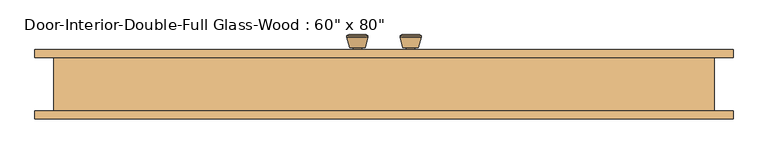
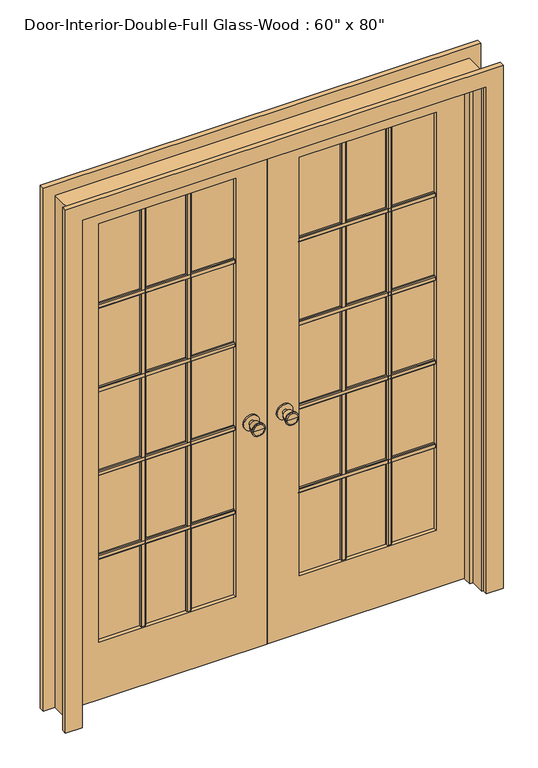
"""IFC4 building model written with IfcOpenShell, lengths in millimetres: door geometry."""

from ifc_helpers import new_model, si_unit, point, frame, frame_2d, origin, place, context, project, spatial, polyline, circle_curve, trimmed, segment, composite_curve, outline, extrude, faceted_brep, source, transform, mapped, element, save
from ifc_brep_helpers import plane_surface, cylinder_surface, revolved_surface, advanced_brep


def door_7a69edbd(model_context):
    return source(origin(), model_context, "Body", "SolidModel", [
        advanced_brep(
        [(-63.5, 66.325, 914.4), (-73.5, 66.325, 914.4), (-53.5, 66.325, 914.4), (-83.9758676, 115.325, 914.4), (-63.5, 115.325, 914.4), (-43.0241324, 115.325, 914.4), (-88.5, 113.4971319, 914.4), (-38.5, 113.4971319, 914.4), (-88.5, 110.0334537, 914.4), (-38.5, 110.0334537, 914.4), (-82.136236, 85.325, 914.4), (-44.863764, 85.325, 914.4), (-73.5, 85.325, 914.4), (-53.5, 85.325, 914.4)],
        [
            (0, 1),
            (1, 2, circle_curve(frame((-63.5, 66.325, 914.4), z_axis=(0.0, -1.0, 0.0), x_axis=(1.0, 0.0, 0.0)), 10.0)),
            (2, 0),
            (2, 1, circle_curve(frame((-63.5, 66.325, 914.4), z_axis=(0.0, -1.0, 0.0), x_axis=(1.0, 0.0, 0.0)), 10.0)),
            (3, 4),
            (4, 5),
            (5, 3, circle_curve(frame((-63.5, 115.325, 914.4), z_axis=(0.0, 1.0, 0.0), x_axis=(1.0, 0.0, 0.0)), 20.4758676)),
            (3, 5, circle_curve(frame((-63.5, 115.325, 914.4), z_axis=(0.0, 1.0, 0.0), x_axis=(1.0, 0.0, 0.0)), 20.4758676)),
            (6, 3),
            (5, 7),
            (7, 6, circle_curve(frame((-63.5, 113.4971319, 914.4), z_axis=(0.0, 1.0, 0.0), x_axis=(1.0, 0.0, 0.0)), 25.0)),
            (6, 7, circle_curve(frame((-63.5, 113.4971319, 914.4), z_axis=(0.0, 1.0, 0.0), x_axis=(1.0, 0.0, 0.0)), 25.0)),
            (8, 6),
            (7, 9),
            (9, 8, circle_curve(frame((-63.5, 110.0334537, 914.4), z_axis=(0.0, 1.0, 0.0), x_axis=(1.0, 0.0, 0.0)), 25.0)),
            (8, 9, circle_curve(frame((-63.5, 110.0334537, 914.4), z_axis=(0.0, 1.0, 0.0), x_axis=(1.0, 0.0, 0.0)), 25.0)),
            (10, 8),
            (9, 11),
            (11, 10, circle_curve(frame((-63.5, 85.325, 914.4), z_axis=(0.0, 1.0, 0.0), x_axis=(1.0, 0.0, 0.0)), 18.636236)),
            (10, 11, circle_curve(frame((-63.5, 85.325, 914.4), z_axis=(0.0, 1.0, 0.0), x_axis=(1.0, 0.0, 0.0)), 18.636236)),
            (12, 10),
            (11, 13),
            (13, 12, circle_curve(frame((-63.5, 85.325, 914.4), z_axis=(0.0, 1.0, 0.0), x_axis=(1.0, 0.0, 0.0)), 10.0)),
            (12, 13, circle_curve(frame((-63.5, 85.325, 914.4), z_axis=(0.0, 1.0, 0.0), x_axis=(1.0, 0.0, 0.0)), 10.0)),
            (1, 12),
            (13, 2),
        ],
        [
            plane_surface(frame((-63.5, 66.325, 914.4), z_axis=(0.0, -1.0, 0.0), x_axis=(1.0, 0.0, 0.0))),
            plane_surface(frame((-63.5, 115.325, 914.4), z_axis=(0.0, 1.0, 0.0), x_axis=(1.0, 0.0, 0.0))),
            revolved_surface(polyline([(-43.0241324, 115.325, 914.4), (-38.5, 113.4971319, 914.4)]), (-63.5, 66.325, 914.4), (0.0, -1.0, 0.0)),
            cylinder_surface(frame((-63.5, 66.325, 914.4), z_axis=(0.0, -1.0, 0.0), x_axis=(1.0, 0.0, 0.0)), 25.0),
            revolved_surface(polyline([(-38.5, 110.0334537, 914.4), (-44.863764, 85.325, 914.4)]), (-63.5, 66.325, 914.4), (0.0, -1.0, 0.0)),
            plane_surface(frame((-63.5, 85.325, 914.4), z_axis=(0.0, -1.0, 0.0), x_axis=(1.0, 0.0, 0.0))),
            cylinder_surface(frame((-63.5, 66.325, 914.4), z_axis=(0.0, -1.0, 0.0), x_axis=(1.0, 0.0, 0.0)), 10.0),
        ],
        [
            (0, [[1, 2, 3]]),
            (0, [[-3, 4, -1]]),
            (1, [[5, 6, 7]]),
            (1, [[-6, -5, 8]]),
            (2, [[9, -7, 10, 11]]),
            (2, [[-10, -8, -9, 12]]),
            (3, [[13, -11, 14, 15]]),
            (3, [[-14, -12, -13, 16]]),
            (4, [[17, -15, 18, 19]]),
            (4, [[-18, -16, -17, 20]]),
            (5, [[21, -19, 22, 23]]),
            (5, [[-22, -20, -21, 24]]),
            (6, [[25, -23, 26, -2]]),
            (6, [[-26, -24, -25, -4]]),
        ],
    ),
        extrude(outline(composite_curve([segment(trimmed(circle_curve(frame_2d((914.4, -63.5)), 30.0), [point((914.4, -33.5))], [point((914.4, -93.5))], False, "CARTESIAN"), True, "CONTINUOUS"), segment(trimmed(circle_curve(frame_2d((914.4, -63.5)), 30.0), [point((914.4, -93.5))], [point((914.4, -33.5))], False, "CARTESIAN"), True, "CONTINUOUS")], self_intersect=False)), frame((0.0, 60.325, 0.0), z_axis=(0.0, 1.0, 0.0), x_axis=(0.0, 0.0, 1.0)), (0.0, 0.0, 1.0), 6.0),
        advanced_brep(
        [(-63.5, 19.4, 914.4), (-53.5, 19.4, 914.4), (-73.5, 19.4, 914.4), (-83.9758676, -29.6, 914.4), (-43.0241324, -29.6, 914.4), (-63.5, -29.6, 914.4), (-88.5, -27.7721319, 914.4), (-38.5, -27.7721319, 914.4), (-88.5, -24.3084537, 914.4), (-38.5, -24.3084537, 914.4), (-82.136236, 0.4, 914.4), (-44.863764, 0.4, 914.4), (-73.5, 0.4, 914.4), (-53.5, 0.4, 914.4)],
        [
            (0, 1),
            (1, 2, circle_curve(frame((-63.5, 19.4, 914.4), z_axis=(0.0, 1.0, 0.0), x_axis=(1.0, 0.0, 0.0)), 10.0)),
            (2, 0),
            (2, 1, circle_curve(frame((-63.5, 19.4, 914.4), z_axis=(0.0, 1.0, 0.0), x_axis=(1.0, 0.0, 0.0)), 10.0)),
            (3, 4, circle_curve(frame((-63.5, -29.6, 914.4), z_axis=(0.0, -1.0, 0.0), x_axis=(1.0, 0.0, 0.0)), 20.4758676)),
            (4, 5),
            (5, 3),
            (4, 3, circle_curve(frame((-63.5, -29.6, 914.4), z_axis=(0.0, -1.0, 0.0), x_axis=(1.0, 0.0, 0.0)), 20.4758676)),
            (6, 7, circle_curve(frame((-63.5, -27.7721319, 914.4), z_axis=(0.0, -1.0, 0.0), x_axis=(1.0, 0.0, 0.0)), 25.0)),
            (7, 4),
            (3, 6),
            (7, 6, circle_curve(frame((-63.5, -27.7721319, 914.4), z_axis=(0.0, -1.0, 0.0), x_axis=(1.0, 0.0, 0.0)), 25.0)),
            (8, 9, circle_curve(frame((-63.5, -24.3084537, 914.4), z_axis=(0.0, -1.0, 0.0), x_axis=(1.0, 0.0, 0.0)), 25.0)),
            (9, 7),
            (6, 8),
            (9, 8, circle_curve(frame((-63.5, -24.3084537, 914.4), z_axis=(0.0, -1.0, 0.0), x_axis=(1.0, 0.0, 0.0)), 25.0)),
            (10, 11, circle_curve(frame((-63.5, 0.4, 914.4), z_axis=(0.0, -1.0, 0.0), x_axis=(1.0, 0.0, 0.0)), 18.636236)),
            (11, 9),
            (8, 10),
            (11, 10, circle_curve(frame((-63.5, 0.4, 914.4), z_axis=(0.0, -1.0, 0.0), x_axis=(1.0, 0.0, 0.0)), 18.636236)),
            (12, 13, circle_curve(frame((-63.5, 0.4, 914.4), z_axis=(0.0, -1.0, 0.0), x_axis=(1.0, 0.0, 0.0)), 10.0)),
            (13, 11),
            (10, 12),
            (13, 12, circle_curve(frame((-63.5, 0.4, 914.4), z_axis=(0.0, -1.0, 0.0), x_axis=(1.0, 0.0, 0.0)), 10.0)),
            (1, 13),
            (12, 2),
        ],
        [
            plane_surface(frame((-63.5, 19.4, 914.4), z_axis=(0.0, 1.0, 0.0), x_axis=(1.0, 0.0, 0.0))),
            plane_surface(frame((-63.5, -29.6, 914.4), z_axis=(0.0, -1.0, 0.0), x_axis=(1.0, 0.0, 0.0))),
            revolved_surface(polyline([(-43.0241324, -29.6, 914.4), (-38.5, -27.7721319, 914.4)]), (-63.5, 19.4, 914.4), (0.0, 1.0, 0.0)),
            cylinder_surface(frame((-63.5, 19.4, 914.4), z_axis=(0.0, 1.0, 0.0), x_axis=(1.0, 0.0, 0.0)), 25.0),
            revolved_surface(polyline([(-38.5, -24.3084537, 914.4), (-44.863764, 0.4, 914.4)]), (-63.5, 19.4, 914.4), (0.0, 1.0, 0.0)),
            plane_surface(frame((-63.5, 0.4, 914.4), z_axis=(0.0, 1.0, 0.0), x_axis=(1.0, 0.0, 0.0))),
            cylinder_surface(frame((-63.5, 19.4, 914.4), z_axis=(0.0, 1.0, 0.0), x_axis=(1.0, 0.0, 0.0)), 10.0),
        ],
        [
            (0, [[1, 2, 3]]),
            (0, [[-3, 4, -1]]),
            (1, [[5, 6, 7]]),
            (1, [[8, -7, -6]]),
            (2, [[9, 10, -5, 11]]),
            (2, [[12, -11, -8, -10]]),
            (3, [[13, 14, -9, 15]]),
            (3, [[16, -15, -12, -14]]),
            (4, [[17, 18, -13, 19]]),
            (4, [[20, -19, -16, -18]]),
            (5, [[21, 22, -17, 23]]),
            (5, [[24, -23, -20, -22]]),
            (6, [[-2, 25, -21, 26]]),
            (6, [[-4, -26, -24, -25]]),
        ],
    ),
        extrude(outline(composite_curve([segment(trimmed(circle_curve(frame_2d((914.4, -63.5)), 30.0), [point((914.4, -33.5))], [point((914.4, -93.5))], False, "CARTESIAN"), True, "CONTINUOUS"), segment(trimmed(circle_curve(frame_2d((914.4, -63.5)), 30.0), [point((914.4, -93.5))], [point((914.4, -33.5))], False, "CARTESIAN"), True, "CONTINUOUS")], self_intersect=False)), frame((0.0, 19.4, 0.0), z_axis=(0.0, 1.0, 0.0), x_axis=(0.0, 0.0, 1.0)), (0.0, 0.0, 1.0), 6.0),
        extrude(outline(polyline([(39.37, 1586.23), (39.37, 1567.18), (33.02, 1567.18), (29.845, 1570.355), (29.845, 1583.055), (33.02, 1586.23), (39.37, 1586.23)])), frame((120.65, 0.0, 0.0), z_axis=(1.0, 0.0, 0.0), x_axis=(0.0, 1.0, 0.0)), (0.0, 0.0, 1.0), 520.7),
        extrude(outline(polyline([(39.37, 1249.9975), (39.37, 1230.9475), (33.02, 1230.9475), (29.845, 1234.1225), (29.845, 1246.8225), (33.02, 1249.9975), (39.37, 1249.9975)])), frame((120.65, 0.0, 0.0), z_axis=(1.0, 0.0, 0.0), x_axis=(0.0, 1.0, 0.0)), (0.0, 0.0, 1.0), 520.7),
        extrude(outline(polyline([(39.37, 913.765), (39.37, 894.715), (33.02, 894.715), (29.845, 897.89), (29.845, 910.59), (33.02, 913.765), (39.37, 913.765)])), frame((120.65, 0.0, 0.0), z_axis=(1.0, 0.0, 0.0), x_axis=(0.0, 1.0, 0.0)), (0.0, 0.0, 1.0), 520.7),
        extrude(outline(polyline([(39.37, 577.5325), (39.37, 558.4825), (33.02, 558.4825), (29.845, 561.6575), (29.845, 574.3575), (33.02, 577.5325), (39.37, 577.5325)])), frame((120.65, 0.0, 0.0), z_axis=(1.0, 0.0, 0.0), x_axis=(0.0, 1.0, 0.0)), (0.0, 0.0, 1.0), 520.7),
        extrude(outline(polyline([(458.2583333, 39.37), (477.3083333, 39.37), (477.3083333, 33.02), (474.1333333, 29.845), (461.4333333, 29.845), (458.2583333, 33.02), (458.2583333, 39.37)])), frame((0.0, 0.0, 231.775), z_axis=(0.0, 0.0, 1.0), x_axis=(1.0, 0.0, 0.0)), (0.0, 0.0, 1.0), 1681.1625),
        extrude(outline(polyline([(284.6916667, 39.37), (303.7416667, 39.37), (303.7416667, 33.02), (300.5666667, 29.845), (287.8666667, 29.845), (284.6916667, 33.02), (284.6916667, 39.37)])), frame((0.0, 0.0, 231.775), z_axis=(0.0, 0.0, 1.0), x_axis=(1.0, 0.0, 0.0)), (0.0, 0.0, 1.0), 1681.1625),
        extrude(outline(polyline([(46.355, 1586.23), (52.705, 1586.23), (55.88, 1583.055), (55.88, 1570.355), (52.705, 1567.18), (46.355, 1567.18), (46.355, 1586.23)])), frame((-641.35, 0.0, 0.0), z_axis=(1.0, 0.0, 0.0), x_axis=(0.0, 1.0, 0.0)), (0.0, 0.0, 1.0), 520.7),
        extrude(outline(polyline([(46.355, 1249.9975), (52.705, 1249.9975), (55.88, 1246.8225), (55.88, 1234.1225), (52.705, 1230.9475), (46.355, 1230.9475), (46.355, 1249.9975)])), frame((-641.35, 0.0, 0.0), z_axis=(1.0, 0.0, 0.0), x_axis=(0.0, 1.0, 0.0)), (0.0, 0.0, 1.0), 520.7),
        extrude(outline(polyline([(46.355, 913.765), (52.705, 913.765), (55.88, 910.59), (55.88, 897.89), (52.705, 894.715), (46.355, 894.715), (46.355, 913.765)])), frame((-641.35, 0.0, 0.0), z_axis=(1.0, 0.0, 0.0), x_axis=(0.0, 1.0, 0.0)), (0.0, 0.0, 1.0), 520.7),
        extrude(outline(polyline([(46.355, 577.5325), (52.705, 577.5325), (55.88, 574.3575), (55.88, 561.6575), (52.705, 558.4825), (46.355, 558.4825), (46.355, 577.5325)])), frame((-641.35, 0.0, 0.0), z_axis=(1.0, 0.0, 0.0), x_axis=(0.0, 1.0, 0.0)), (0.0, 0.0, 1.0), 520.7),
        extrude(outline(polyline([(-303.7416667, 46.355), (-303.7416667, 52.705), (-300.5666667, 55.88), (-287.8666667, 55.88), (-284.6916667, 52.705), (-284.6916667, 46.355), (-303.7416667, 46.355)])), frame((0.0, 0.0, 231.775), z_axis=(0.0, 0.0, 1.0), x_axis=(1.0, 0.0, 0.0)), (0.0, 0.0, 1.0), 1681.1625),
        extrude(outline(polyline([(-477.3083333, 46.355), (-477.3083333, 52.705), (-474.1333333, 55.88), (-461.4333333, 55.88), (-458.2583333, 52.705), (-458.2583333, 46.355), (-477.3083333, 46.355)])), frame((0.0, 0.0, 231.775), z_axis=(0.0, 0.0, 1.0), x_axis=(1.0, 0.0, 0.0)), (0.0, 0.0, 1.0), 1681.1625),
        extrude(outline(polyline([(46.355, 1586.23), (52.705, 1586.23), (55.88, 1583.055), (55.88, 1570.355), (52.705, 1567.18), (46.355, 1567.18), (46.355, 1586.23)])), frame((120.65, 0.0, 0.0), z_axis=(1.0, 0.0, 0.0), x_axis=(0.0, 1.0, 0.0)), (0.0, 0.0, 1.0), 520.7),
        extrude(outline(polyline([(46.355, 1249.9975), (52.705, 1249.9975), (55.88, 1246.8225), (55.88, 1234.1225), (52.705, 1230.9475), (46.355, 1230.9475), (46.355, 1249.9975)])), frame((120.65, 0.0, 0.0), z_axis=(1.0, 0.0, 0.0), x_axis=(0.0, 1.0, 0.0)), (0.0, 0.0, 1.0), 520.7),
        extrude(outline(polyline([(46.355, 913.765), (52.705, 913.765), (55.88, 910.59), (55.88, 897.89), (52.705, 894.715), (46.355, 894.715), (46.355, 913.765)])), frame((120.65, 0.0, 0.0), z_axis=(1.0, 0.0, 0.0), x_axis=(0.0, 1.0, 0.0)), (0.0, 0.0, 1.0), 520.7),
        extrude(outline(polyline([(46.355, 577.5325), (52.705, 577.5325), (55.88, 574.3575), (55.88, 561.6575), (52.705, 558.4825), (46.355, 558.4825), (46.355, 577.5325)])), frame((120.65, 0.0, 0.0), z_axis=(1.0, 0.0, 0.0), x_axis=(0.0, 1.0, 0.0)), (0.0, 0.0, 1.0), 520.7),
        extrude(outline(polyline([(458.2583333, 46.355), (458.2583333, 52.705), (461.4333333, 55.88), (474.1333333, 55.88), (477.3083333, 52.705), (477.3083333, 46.355), (458.2583333, 46.355)])), frame((0.0, 0.0, 231.775), z_axis=(0.0, 0.0, 1.0), x_axis=(1.0, 0.0, 0.0)), (0.0, 0.0, 1.0), 1681.1625),
        extrude(outline(polyline([(284.6916667, 46.355), (284.6916667, 52.705), (287.8666667, 55.88), (300.5666667, 55.88), (303.7416667, 52.705), (303.7416667, 46.355), (284.6916667, 46.355)])), frame((0.0, 0.0, 231.775), z_axis=(0.0, 0.0, 1.0), x_axis=(1.0, 0.0, 0.0)), (0.0, 0.0, 1.0), 1681.1625),
        extrude(outline(polyline([(39.37, 1586.23), (39.37, 1567.18), (33.02, 1567.18), (29.845, 1570.355), (29.845, 1583.055), (33.02, 1586.23), (39.37, 1586.23)])), frame((-641.35, 0.0, 0.0), z_axis=(1.0, 0.0, 0.0), x_axis=(0.0, 1.0, 0.0)), (0.0, 0.0, 1.0), 520.7),
        extrude(outline(polyline([(39.37, 1249.9975), (39.37, 1230.9475), (33.02, 1230.9475), (29.845, 1234.1225), (29.845, 1246.8225), (33.02, 1249.9975), (39.37, 1249.9975)])), frame((-641.35, 0.0, 0.0), z_axis=(1.0, 0.0, 0.0), x_axis=(0.0, 1.0, 0.0)), (0.0, 0.0, 1.0), 520.7),
        extrude(outline(polyline([(39.37, 913.765), (39.37, 894.715), (33.02, 894.715), (29.845, 897.89), (29.845, 910.59), (33.02, 913.765), (39.37, 913.765)])), frame((-641.35, 0.0, 0.0), z_axis=(1.0, 0.0, 0.0), x_axis=(0.0, 1.0, 0.0)), (0.0, 0.0, 1.0), 520.7),
        extrude(outline(polyline([(39.37, 577.5325), (39.37, 558.4825), (33.02, 558.4825), (29.845, 561.6575), (29.845, 574.3575), (33.02, 577.5325), (39.37, 577.5325)])), frame((-641.35, 0.0, 0.0), z_axis=(1.0, 0.0, 0.0), x_axis=(0.0, 1.0, 0.0)), (0.0, 0.0, 1.0), 520.7),
        extrude(outline(polyline([(-303.7416667, 39.37), (-284.6916667, 39.37), (-284.6916667, 33.02), (-287.8666667, 29.845), (-300.5666667, 29.845), (-303.7416667, 33.02), (-303.7416667, 39.37)])), frame((0.0, 0.0, 231.775), z_axis=(0.0, 0.0, 1.0), x_axis=(1.0, 0.0, 0.0)), (0.0, 0.0, 1.0), 1681.1625),
        extrude(outline(polyline([(-477.3083333, 39.37), (-458.2583333, 39.37), (-458.2583333, 33.02), (-461.4333333, 29.845), (-474.1333333, 29.845), (-477.3083333, 33.02), (-477.3083333, 39.37)])), frame((0.0, 0.0, 231.775), z_axis=(0.0, 0.0, 1.0), x_axis=(1.0, 0.0, 0.0)), (0.0, 0.0, 1.0), 1681.1625),
        advanced_brep(
        [(63.5, 19.4, 914.4), (73.5, 19.4, 914.4), (53.5, 19.4, 914.4), (83.9758676, -29.6, 914.4), (63.5, -29.6, 914.4), (43.0241324, -29.6, 914.4), (88.5, -27.7721319, 914.4), (38.5, -27.7721319, 914.4), (88.5, -24.3084537, 914.4), (38.5, -24.3084537, 914.4), (82.136236, 0.4, 914.4), (44.863764, 0.4, 914.4), (73.5, 0.4, 914.4), (53.5, 0.4, 914.4)],
        [
            (0, 1),
            (1, 2, circle_curve(frame((63.5, 19.4, 914.4), z_axis=(0.0, 1.0, 0.0), x_axis=(-1.0, 0.0, 0.0)), 10.0)),
            (2, 0),
            (2, 1, circle_curve(frame((63.5, 19.4, 914.4), z_axis=(0.0, 1.0, 0.0), x_axis=(-1.0, 0.0, 0.0)), 10.0)),
            (3, 4),
            (4, 5),
            (5, 3, circle_curve(frame((63.5, -29.6, 914.4), z_axis=(0.0, -1.0, 0.0), x_axis=(-1.0, 0.0, 0.0)), 20.4758676)),
            (3, 5, circle_curve(frame((63.5, -29.6, 914.4), z_axis=(0.0, -1.0, 0.0), x_axis=(-1.0, 0.0, 0.0)), 20.4758676)),
            (6, 3),
            (5, 7),
            (7, 6, circle_curve(frame((63.5, -27.7721319, 914.4), z_axis=(0.0, -1.0, 0.0), x_axis=(-1.0, 0.0, 0.0)), 25.0)),
            (6, 7, circle_curve(frame((63.5, -27.7721319, 914.4), z_axis=(0.0, -1.0, 0.0), x_axis=(-1.0, 0.0, 0.0)), 25.0)),
            (8, 6),
            (7, 9),
            (9, 8, circle_curve(frame((63.5, -24.3084537, 914.4), z_axis=(0.0, -1.0, 0.0), x_axis=(-1.0, 0.0, 0.0)), 25.0)),
            (8, 9, circle_curve(frame((63.5, -24.3084537, 914.4), z_axis=(0.0, -1.0, 0.0), x_axis=(-1.0, 0.0, 0.0)), 25.0)),
            (10, 8),
            (9, 11),
            (11, 10, circle_curve(frame((63.5, 0.4, 914.4), z_axis=(0.0, -1.0, 0.0), x_axis=(-1.0, 0.0, 0.0)), 18.636236)),
            (10, 11, circle_curve(frame((63.5, 0.4, 914.4), z_axis=(0.0, -1.0, 0.0), x_axis=(-1.0, 0.0, 0.0)), 18.636236)),
            (12, 10),
            (11, 13),
            (13, 12, circle_curve(frame((63.5, 0.4, 914.4), z_axis=(0.0, -1.0, 0.0), x_axis=(-1.0, 0.0, 0.0)), 10.0)),
            (12, 13, circle_curve(frame((63.5, 0.4, 914.4), z_axis=(0.0, -1.0, 0.0), x_axis=(-1.0, 0.0, 0.0)), 10.0)),
            (1, 12),
            (13, 2),
        ],
        [
            plane_surface(frame((63.5, 19.4, 914.4), z_axis=(0.0, 1.0, 0.0), x_axis=(-1.0, 0.0, 0.0))),
            plane_surface(frame((63.5, -29.6, 914.4), z_axis=(0.0, -1.0, 0.0), x_axis=(-1.0, 0.0, 0.0))),
            revolved_surface(polyline([(43.0241324, -29.6, 914.4), (38.5, -27.7721319, 914.4)]), (63.5, 19.4, 914.4), (0.0, 1.0, 0.0)),
            cylinder_surface(frame((63.5, 19.4, 914.4), z_axis=(0.0, 1.0, 0.0), x_axis=(-1.0, 0.0, 0.0)), 25.0),
            revolved_surface(polyline([(38.5, -24.3084537, 914.4), (44.863764, 0.4, 914.4)]), (63.5, 19.4, 914.4), (0.0, 1.0, 0.0)),
            plane_surface(frame((63.5, 0.4, 914.4), z_axis=(0.0, 1.0, 0.0), x_axis=(-1.0, 0.0, 0.0))),
            cylinder_surface(frame((63.5, 19.4, 914.4), z_axis=(0.0, 1.0, 0.0), x_axis=(-1.0, 0.0, 0.0)), 10.0),
        ],
        [
            (0, [[1, 2, 3]]),
            (0, [[-3, 4, -1]]),
            (1, [[5, 6, 7]]),
            (1, [[-6, -5, 8]]),
            (2, [[9, -7, 10, 11]]),
            (2, [[-10, -8, -9, 12]]),
            (3, [[13, -11, 14, 15]]),
            (3, [[-14, -12, -13, 16]]),
            (4, [[17, -15, 18, 19]]),
            (4, [[-18, -16, -17, 20]]),
            (5, [[21, -19, 22, 23]]),
            (5, [[-22, -20, -21, 24]]),
            (6, [[25, -23, 26, -2]]),
            (6, [[-26, -24, -25, -4]]),
        ],
    ),
        extrude(outline(composite_curve([segment(trimmed(circle_curve(frame_2d((914.4, 63.5)), 30.0), [point((914.4, 33.5))], [point((914.4, 93.5))], False, "CARTESIAN"), True, "CONTINUOUS"), segment(trimmed(circle_curve(frame_2d((914.4, 63.5)), 30.0), [point((914.4, 93.5))], [point((914.4, 33.5))], False, "CARTESIAN"), True, "CONTINUOUS")], self_intersect=False)), frame((0.0, 19.4, 0.0), z_axis=(0.0, 1.0, 0.0), x_axis=(0.0, 0.0, 1.0)), (0.0, 0.0, 1.0), 6.0),
        advanced_brep(
        [(63.5, 66.325, 914.4), (53.5, 66.325, 914.4), (73.5, 66.325, 914.4), (83.9758676, 115.325, 914.4), (43.0241324, 115.325, 914.4), (63.5, 115.325, 914.4), (88.5, 113.4971319, 914.4), (38.5, 113.4971319, 914.4), (88.5, 110.0334537, 914.4), (38.5, 110.0334537, 914.4), (82.136236, 85.325, 914.4), (44.863764, 85.325, 914.4), (73.5, 85.325, 914.4), (53.5, 85.325, 914.4)],
        [
            (0, 1),
            (1, 2, circle_curve(frame((63.5, 66.325, 914.4), z_axis=(0.0, -1.0, 0.0), x_axis=(-1.0, 0.0, 0.0)), 10.0)),
            (2, 0),
            (2, 1, circle_curve(frame((63.5, 66.325, 914.4), z_axis=(0.0, -1.0, 0.0), x_axis=(-1.0, 0.0, 0.0)), 10.0)),
            (3, 4, circle_curve(frame((63.5, 115.325, 914.4), z_axis=(0.0, 1.0, 0.0), x_axis=(-1.0, 0.0, 0.0)), 20.4758676)),
            (4, 5),
            (5, 3),
            (4, 3, circle_curve(frame((63.5, 115.325, 914.4), z_axis=(0.0, 1.0, 0.0), x_axis=(-1.0, 0.0, 0.0)), 20.4758676)),
            (6, 7, circle_curve(frame((63.5, 113.4971319, 914.4), z_axis=(0.0, 1.0, 0.0), x_axis=(-1.0, 0.0, 0.0)), 25.0)),
            (7, 4),
            (3, 6),
            (7, 6, circle_curve(frame((63.5, 113.4971319, 914.4), z_axis=(0.0, 1.0, 0.0), x_axis=(-1.0, 0.0, 0.0)), 25.0)),
            (8, 9, circle_curve(frame((63.5, 110.0334537, 914.4), z_axis=(0.0, 1.0, 0.0), x_axis=(-1.0, 0.0, 0.0)), 25.0)),
            (9, 7),
            (6, 8),
            (9, 8, circle_curve(frame((63.5, 110.0334537, 914.4), z_axis=(0.0, 1.0, 0.0), x_axis=(-1.0, 0.0, 0.0)), 25.0)),
            (10, 11, circle_curve(frame((63.5, 85.325, 914.4), z_axis=(0.0, 1.0, 0.0), x_axis=(-1.0, 0.0, 0.0)), 18.636236)),
            (11, 9),
            (8, 10),
            (11, 10, circle_curve(frame((63.5, 85.325, 914.4), z_axis=(0.0, 1.0, 0.0), x_axis=(-1.0, 0.0, 0.0)), 18.636236)),
            (12, 13, circle_curve(frame((63.5, 85.325, 914.4), z_axis=(0.0, 1.0, 0.0), x_axis=(-1.0, 0.0, 0.0)), 10.0)),
            (13, 11),
            (10, 12),
            (13, 12, circle_curve(frame((63.5, 85.325, 914.4), z_axis=(0.0, 1.0, 0.0), x_axis=(-1.0, 0.0, 0.0)), 10.0)),
            (1, 13),
            (12, 2),
        ],
        [
            plane_surface(frame((63.5, 66.325, 914.4), z_axis=(0.0, -1.0, 0.0), x_axis=(-1.0, 0.0, 0.0))),
            plane_surface(frame((63.5, 115.325, 914.4), z_axis=(0.0, 1.0, 0.0), x_axis=(-1.0, 0.0, 0.0))),
            revolved_surface(polyline([(43.0241324, 115.325, 914.4), (38.5, 113.4971319, 914.4)]), (63.5, 66.325, 914.4), (0.0, -1.0, 0.0)),
            cylinder_surface(frame((63.5, 66.325, 914.4), z_axis=(0.0, -1.0, 0.0), x_axis=(-1.0, 0.0, 0.0)), 25.0),
            revolved_surface(polyline([(38.5, 110.0334537, 914.4), (44.863764, 85.325, 914.4)]), (63.5, 66.325, 914.4), (0.0, -1.0, 0.0)),
            plane_surface(frame((63.5, 85.325, 914.4), z_axis=(0.0, -1.0, 0.0), x_axis=(-1.0, 0.0, 0.0))),
            cylinder_surface(frame((63.5, 66.325, 914.4), z_axis=(0.0, -1.0, 0.0), x_axis=(-1.0, 0.0, 0.0)), 10.0),
        ],
        [
            (0, [[1, 2, 3]]),
            (0, [[-3, 4, -1]]),
            (1, [[5, 6, 7]]),
            (1, [[8, -7, -6]]),
            (2, [[9, 10, -5, 11]]),
            (2, [[12, -11, -8, -10]]),
            (3, [[13, 14, -9, 15]]),
            (3, [[16, -15, -12, -14]]),
            (4, [[17, 18, -13, 19]]),
            (4, [[20, -19, -16, -18]]),
            (5, [[21, 22, -17, 23]]),
            (5, [[24, -23, -20, -22]]),
            (6, [[-2, 25, -21, 26]]),
            (6, [[-4, -26, -24, -25]]),
        ],
    ),
        extrude(outline(composite_curve([segment(trimmed(circle_curve(frame_2d((914.4, 63.5)), 30.0), [point((914.4, 33.5))], [point((914.4, 93.5))], False, "CARTESIAN"), True, "CONTINUOUS"), segment(trimmed(circle_curve(frame_2d((914.4, 63.5)), 30.0), [point((914.4, 93.5))], [point((914.4, 33.5))], False, "CARTESIAN"), True, "CONTINUOUS")], self_intersect=False)), frame((0.0, 60.325, 0.0), z_axis=(0.0, 1.0, 0.0), x_axis=(0.0, 0.0, 1.0)), (0.0, 0.0, 1.0), 6.0),
        extrude(outline(polyline([(0.0, 768.35), (0.0, 831.85), (2101.85, 831.85), (2101.85, -831.85), (0.0, -831.85), (0.0, -768.35), (2038.35, -768.35), (2038.35, 768.35), (0.0, 768.35)])), frame((0.0, 60.325, 0.0), z_axis=(0.0, 1.0, 0.0), x_axis=(0.0, 0.0, 1.0)), (0.0, 0.0, 1.0), 19.05),
        extrude(outline(polyline([(0.0, 768.35), (0.0, 831.85), (2101.85, 831.85), (2101.85, -831.85), (0.0, -831.85), (0.0, -768.35), (2038.35, -768.35), (2038.35, 768.35), (0.0, 768.35)])), frame((0.0, -85.725, 0.0), z_axis=(0.0, 1.0, 0.0), x_axis=(0.0, 0.0, 1.0)), (0.0, 0.0, 1.0), 19.05),
        extrude(outline(polyline([(2032.0, -762.0), (0.0, -762.0), (0.0, -1.6019111), (2032.0, -1.6019111), (2032.0, -762.0)]), holes=[polyline([(231.775, -641.35), (1912.9375, -641.35), (1912.9375, -120.65), (231.775, -120.65), (231.775, -641.35)])]), frame((0.0, 25.4, 0.0), z_axis=(0.0, 1.0, 0.0), x_axis=(0.0, 0.0, 1.0)), (0.0, 0.0, 1.0), 34.925),
        extrude(outline(polyline([(0.0, 762.0), (2032.0, 762.0), (2032.0, 1.5875), (0.0, 1.5875), (0.0, 762.0)]), holes=[polyline([(1912.9375, 120.65), (1912.9375, 641.35), (231.775, 641.35), (231.775, 120.65), (1912.9375, 120.65)])]), frame((0.0, 25.4, 0.0), z_axis=(0.0, 1.0, 0.0), x_axis=(0.0, 0.0, 1.0)), (0.0, 0.0, 1.0), 34.925),
        faceted_brep([(787.4, 60.325, 0.0), (787.4, -66.675, 0.0), (762.0, -66.675, 0.0), (762.0, -9.525, 0.0), (749.3, -9.525, 0.0), (749.3, 25.4, 0.0), (762.0, 25.4, 0.0), (762.0, 60.325, 0.0), (787.4, 60.325, 2057.4), (787.4, -66.675, 2057.4), (-787.4, -66.675, 2057.4), (-787.4, -66.675, 0.0), (-762.0, -66.675, 0.0), (-762.0, -66.675, 2032.0), (762.0, -66.675, 2032.0), (762.0, -9.525, 2032.0), (-762.0, -9.525, 2032.0), (-762.0, -9.525, 0.0), (-749.3, -9.525, 0.0), (-749.3, -9.525, 2019.3), (749.3, -9.525, 2019.3), (749.3, 25.4, 2019.3), (1.5875, 25.4, 2019.3), (-1.6019111, 25.4, 2019.3), (-749.3, 25.4, 2019.3), (-749.3, 25.4, 0.0), (-762.0, 25.4, 0.0), (-762.0, 25.4, 2032.0), (-1.6019111, 25.4, 2032.0), (1.5875, 25.4, 2032.0), (762.0, 25.4, 2032.0), (762.0, 60.325, 2032.0), (1.5875, 60.325, 2032.0), (-1.6019111, 60.325, 2032.0), (-762.0, 60.325, 2032.0), (-762.0, 60.325, 0.0), (-787.4, 60.325, 0.0), (-787.4, 60.325, 2057.4)], [[[0, 1, 2, 3, 4, 5, 6, 7]], [[1, 0, 8, 9]], [[2, 1, 9, 10, 11, 12, 13, 14]], [[3, 2, 14, 15]], [[4, 3, 15, 16, 17, 18, 19, 20]], [[5, 4, 20, 21]], [[6, 5, 21, 22, 23, 24, 25, 26, 27, 28, 29, 30]], [[7, 6, 30, 31]], [[0, 7, 31, 32, 33, 34, 35, 36, 37, 8]], [[9, 8, 37, 10]], [[14, 13, 16, 15]], [[20, 19, 24, 23, 22, 21]], [[31, 30, 29, 28, 27, 34, 33, 32]], [[12, 11, 36, 35, 26, 25, 18, 17]], [[11, 10, 37, 36]], [[13, 12, 17, 16]], [[19, 18, 25, 24]], [[27, 26, 35, 34]]]),
        extrude(outline(polyline([(641.35, 39.37), (120.65, 39.37), (120.65, 46.355), (641.35, 46.355), (641.35, 39.37)])), frame((0.0, 0.0, 231.775), z_axis=(0.0, 0.0, 1.0), x_axis=(1.0, 0.0, 0.0)), (0.0, 0.0, 1.0), 1681.1625),
        extrude(outline(polyline([(-120.65, 39.37), (-641.35, 39.37), (-641.35, 46.355), (-120.65, 46.355), (-120.65, 39.37)])), frame((0.0, 0.0, 231.775), z_axis=(0.0, 0.0, 1.0), x_axis=(1.0, 0.0, 0.0)), (0.0, 0.0, 1.0), 1681.1625),
    ])


if __name__ == "__main__":
    model = new_model("IFC4")
    model_context = context("Model", 3, world=origin())
    ifc_project = project(units=[si_unit("LENGTHUNIT", "METRE", prefix="MILLI")], contexts=[model_context])
    site = spatial("IfcSite", under=ifc_project)
    building = spatial("IfcBuilding", under=site)
    placement = place(None, origin())
    door_shape = door_7a69edbd(model_context)
    element("IfcDoor", 1, ObjectType="Door-Interior-Double-Full Glass-Wood : 60\" x 80\"", at=placement, inside=building, context=model_context, shape_type="MappedRepresentation", body=[
        mapped(door_shape, transform((0.0, 0.0, 0.0), x_axis=(1.0, 0.0, 0.0), y_axis=(0.0, 1.0, 0.0), z_axis=(0.0, 0.0, 1.0))),
    ])
    save(model, "model.ifc")
